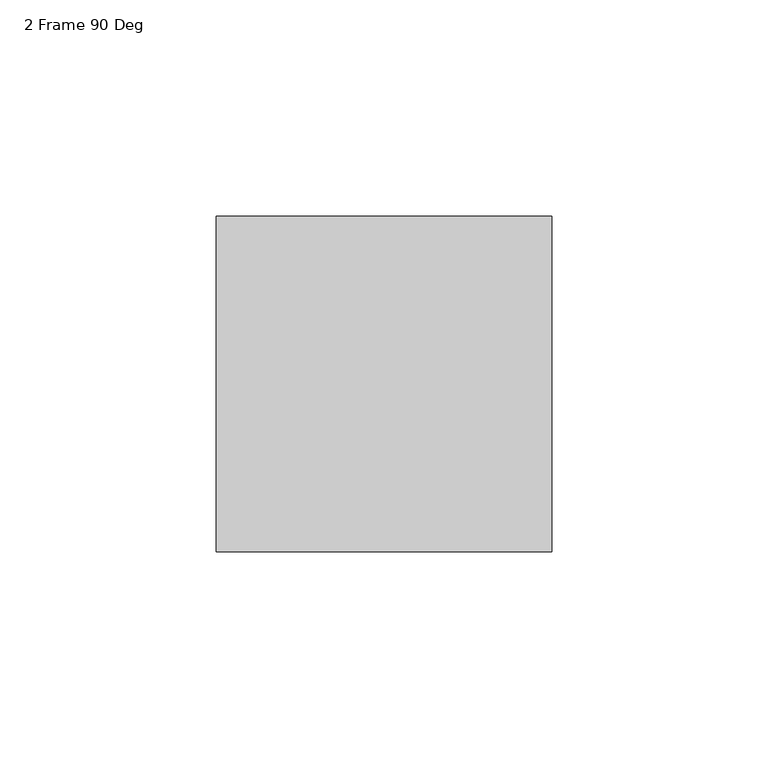
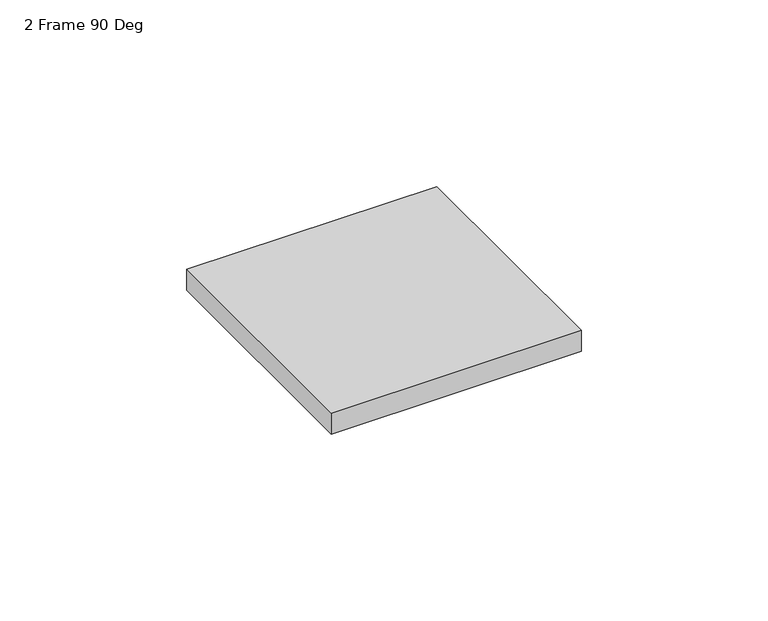
"""IFC4 building model written with IfcOpenShell, lengths in millimetres: furniture geometry, 2 Frame 90 Deg."""

import ifcopenshell
import ifcopenshell.guid

model = None  # the IFC model being written
_history = None  # IfcOwnerHistory: only IFC2X3 demands one
_inside = {}  # id of a spatial element -> (the spatial element, [elements in it])
_under = {}  # id of a project, library or spatial element -> (it, [spatial elements below it])
_declared = {}  # id of a project -> (the project, [libraries it declares])
_typed = {}  # id of a type object -> (the type object, [elements of that type])
_made_of = {}  # id of a material, layer set ... -> (it, [elements and type objects made of it])


def new_model(schema):
    """Start an empty IFC model of exactly this schema.

    Asked for "IFC4X3", IfcOpenShell would pick the latest addendum, in which some entities
    have other attributes; the version numbers below select the first issue.
    IFC2X3 requires an IfcOwnerHistory on every rooted entity: one is made here for all.
    """
    global model, _history
    if schema == "IFC4X3":
        model = ifcopenshell.file(schema_version=(4, 3, 0, 0))
    else:
        model = ifcopenshell.file(schema=schema)
    _inside.clear()
    _under.clear()
    _declared.clear()
    _typed.clear()
    _made_of.clear()
    _history = None
    if model.schema == "IFC2X3":
        org = make("IfcOrganization", Name="unknown")
        user = make(
            "IfcPersonAndOrganization",
            ThePerson=make("IfcPerson", FamilyName="unknown"),
            TheOrganization=org,
        )
        app = make(
            "IfcApplication",
            ApplicationDeveloper=org,
            Version="unknown",
            ApplicationFullName="unknown",
            ApplicationIdentifier="unknown",
        )
        _history = make(
            "IfcOwnerHistory",
            OwningUser=user,
            OwningApplication=app,
            ChangeAction="ADDED",
            CreationDate=0,
        )
    return model


def make(cls, **values):
    """One entity of the class cls with the attributes given. An attribute that is None is left unset."""
    return model.create_entity(
        cls, **{name: value for name, value in values.items() if value is not None}
    )


def rooted(cls, **values):
    """An entity with a GlobalId (a new one), such as an element, a storey or a relation."""
    return make(cls, GlobalId=ifcopenshell.guid.new(), OwnerHistory=_history, **values)


def si_unit(unit_type, name, prefix=None):
    """IfcSIUnit, for example si_unit("LENGTHUNIT", "METRE", prefix="MILLI")."""
    return make("IfcSIUnit", UnitType=unit_type, Prefix=prefix, Name=name)


def assignment(units):
    """IfcUnitAssignment: the units of a project."""
    return None if units is None else make("IfcUnitAssignment", Units=units)


def point(xyz):
    """IfcCartesianPoint."""
    return None if xyz is None else make("IfcCartesianPoint", Coordinates=xyz)


def direction(xyz):
    """IfcDirection."""
    return None if xyz is None else make("IfcDirection", DirectionRatios=xyz)


def frame(location, z_axis=None, x_axis=None):
    """IfcAxis2Placement3D, a coordinate frame: its origin and axes. An axis left out is left unset."""
    return make(
        "IfcAxis2Placement3D",
        Location=point(location),
        Axis=direction(z_axis),
        RefDirection=direction(x_axis),
    )


def origin():
    """The frame at (0, 0, 0) with its axes left unset."""
    return frame((0.0, 0.0, 0.0))


def place(relative_to, where):
    """IfcLocalPlacement: puts the frame where relative to a parent placement (None: the world)."""
    return make(
        "IfcLocalPlacement", PlacementRelTo=relative_to, RelativePlacement=where
    )


def context(
    kind, dimensions, precision=None, world=None, true_north=None, identifier=None
):
    """IfcGeometricRepresentationContext, for example the 3D "Model" context."""
    return make(
        "IfcGeometricRepresentationContext",
        ContextIdentifier=identifier,
        ContextType=kind,
        CoordinateSpaceDimension=dimensions,
        Precision=precision,
        WorldCoordinateSystem=world,
        TrueNorth=true_north,
    )


def project(units=None, contexts=None):
    """IfcProject with its units and contexts."""
    return rooted(
        "IfcProject",
        Name="project",
        RepresentationContexts=contexts,
        UnitsInContext=assignment(units),
    )


def spatial(cls, under=None, at=None, **own):
    """A site, building, storey or space (cls), placed at a placement, below another one or the project."""
    s = rooted(cls, ObjectPlacement=at, **own)
    if under is not None:
        _under.setdefault(under.id(), (under, []))[1].append(s)
    return s


def polyline(points):
    """IfcPolyline through the points."""
    return make("IfcPolyline", Points=[point(p) for p in points])


def outline(outer, holes=None, kind="AREA"):
    """IfcArbitraryClosedProfileDef: a profile drawn as a closed curve; with holes, ...WithVoids."""
    if holes is None:
        return make("IfcArbitraryClosedProfileDef", ProfileType=kind, OuterCurve=outer)
    return make(
        "IfcArbitraryProfileDefWithVoids",
        ProfileType=kind,
        OuterCurve=outer,
        InnerCurves=holes,
    )


def extrude(swept, where, along, depth):
    """IfcExtrudedAreaSolid: the profile swept, set in the frame where, extruded along a direction by depth."""
    return make(
        "IfcExtrudedAreaSolid",
        SweptArea=swept,
        Position=where,
        ExtrudedDirection=direction(along),
        Depth=depth,
    )


def shape(context_of_items, identifier, shape_type, items):
    """IfcShapeRepresentation: the items that make up one representation, for example the "Body"."""
    return make(
        "IfcShapeRepresentation",
        ContextOfItems=context_of_items,
        RepresentationIdentifier=identifier,
        RepresentationType=shape_type,
        Items=items,
    )


def source(mapping_origin, context_of_items, identifier, shape_type, items):
    """IfcRepresentationMap: a shape defined once, which mapped items show again and again."""
    return make(
        "IfcRepresentationMap",
        MappingOrigin=mapping_origin,
        MappedRepresentation=shape(context_of_items, identifier, shape_type, items),
    )


def transform(
    local_origin,
    x_axis=None,
    y_axis=None,
    z_axis=None,
    scale=None,
    scale2=None,
    scale3=None,
    uniform=True,
):
    """IfcCartesianTransformationOperator3D, or its non-uniform kind. x_axis, y_axis, z_axis: its Axis1, 2, 3."""
    if uniform:
        return make(
            "IfcCartesianTransformationOperator3D",
            Axis1=direction(x_axis),
            Axis2=direction(y_axis),
            LocalOrigin=point(local_origin),
            Scale=scale,
            Axis3=direction(z_axis),
        )
    return make(
        "IfcCartesianTransformationOperator3DnonUniform",
        Axis1=direction(x_axis),
        Axis2=direction(y_axis),
        LocalOrigin=point(local_origin),
        Scale=scale,
        Axis3=direction(z_axis),
        Scale2=scale2,
        Scale3=scale3,
    )


def mapped(mapping_source, mapping_target):
    """IfcMappedItem: shows the shape of a source again, moved by a transform."""
    return make(
        "IfcMappedItem", MappingSource=mapping_source, MappingTarget=mapping_target
    )


def made_of(thing, what):
    """Note that an element or type object is made of a material, layer set ...; save() writes the relation."""
    if what is not None:
        _made_of.setdefault(what.id(), (what, []))[1].append(thing)
    return thing


def element(
    cls,
    number,
    at=None,
    inside=None,
    cuts=None,
    type_object=None,
    material=None,
    context=None,
    identifier="Body",
    shape_type=None,
    held_by="IfcProductDefinitionShape",
    body=None,
    shapes=None,
    **own,
):
    """One element of the class cls, such as IfcWall. Its Tag is "e" and its number.

    at: its placement. inside: the storey or other place that contains it. cuts: it is an
    opening in that element (IfcRelVoidsElement). A single representation is given by context,
    identifier, shape_type and body (its items); several are given by shapes. held_by: the class
    of the entity that holds the representations. save() writes the other relations.
    """
    e = rooted(cls, Tag="e%d" % number, ObjectPlacement=at, **own)
    if body is not None:
        shapes = [shape(context, identifier, shape_type, body)]
    if shapes is not None:
        e.Representation = make(held_by, Representations=shapes)
    if inside is not None:
        _inside.setdefault(inside.id(), (inside, []))[1].append(e)
    if cuts is not None:
        rooted(
            "IfcRelVoidsElement", RelatingBuildingElement=cuts, RelatedOpeningElement=e
        )
    if type_object is not None:
        _typed.setdefault(type_object.id(), (type_object, []))[1].append(e)
    return made_of(e, material)


def aggregate(whole, parts):
    """IfcRelAggregates: a whole, such as a stair, and the parts it consists of."""
    return rooted("IfcRelAggregates", RelatingObject=whole, RelatedObjects=parts)


def save(model, path):
    """Write the relations noted so far, then the file.

    IfcRelAggregates (storeys below a building ...), IfcRelContainedInSpatialStructure (elements
    in a storey), IfcRelDefinesByType, IfcRelAssociatesMaterial and IfcRelDeclares: one each for
    every whole, place, type object, material and project.
    """
    for whole, parts in _under.values():
        aggregate(whole, parts)
    for where, things in _inside.values():
        rooted(
            "IfcRelContainedInSpatialStructure",
            RelatedElements=things,
            RelatingStructure=where,
        )
    for kind, things in _typed.values():
        rooted("IfcRelDefinesByType", RelatedObjects=things, RelatingType=kind)
    for what, things in _made_of.values():
        rooted("IfcRelAssociatesMaterial", RelatedObjects=things, RelatingMaterial=what)
    for by, libraries in _declared.values():
        rooted("IfcRelDeclares", RelatingContext=by, RelatedDefinitions=libraries)
    model.write(path)


def furniture_2_frame_90_deg_bc25d8d1(model_context):
    return source(origin(), model_context, "Body", "SweptSolid", [
        extrude(outline(polyline([(77.4699988, -0.3683), (77.4699988, -77.8382993), (0.0, -77.8382993), (0.0, -0.3683), (77.4699988, -0.3683)])), frame((0.0, 0.0, 704.3419997), z_axis=(0.0, 0.0, 1.0), x_axis=(1.0, 0.0, 0.0)), (0.0, 0.0, 1.0), 6.8580003),
    ])


if __name__ == "__main__":
    model = new_model("IFC4")
    model_context = context("Model", 3, world=origin())
    ifc_project = project(units=[si_unit("LENGTHUNIT", "METRE", prefix="MILLI")], contexts=[model_context])
    site = spatial("IfcSite", under=ifc_project)
    building = spatial("IfcBuilding", under=site)
    placement = place(None, origin())
    furniture_2_frame_90_deg_shape = furniture_2_frame_90_deg_bc25d8d1(model_context)
    element("IfcFurniture", 1, ObjectType="2 Frame 90 Deg", at=placement, inside=building, context=model_context, shape_type="MappedRepresentation", body=[
        mapped(furniture_2_frame_90_deg_shape, transform((0.0, 0.0, 0.0), x_axis=(1.0, 0.0, 0.0), y_axis=(0.0, 1.0, 0.0), z_axis=(0.0, 0.0, 1.0))),
    ])
    save(model, "model.ifc")
